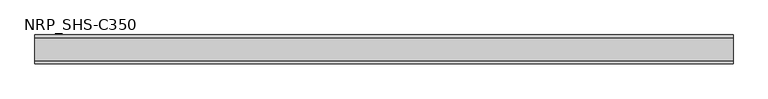
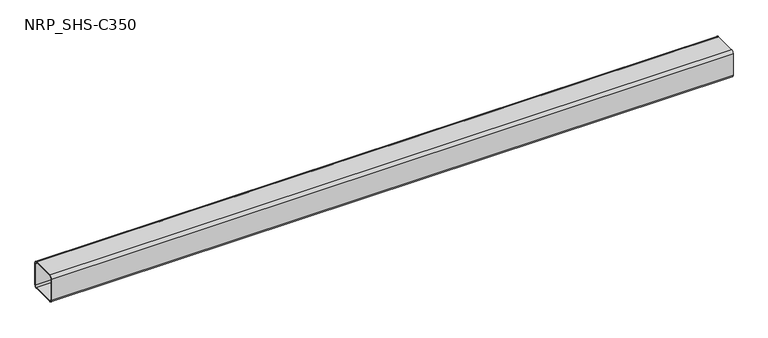
"""IFC4 building model written with IfcOpenShell, lengths in millimetres: member geometry, NRP_SHS-C350."""

from ifc_helpers import new_model, si_unit, point, frame, frame_2d, origin, place, context, project, spatial, polyline, circle_curve, trimmed, segment, composite_curve, outline, extrude, source, transform, mapped, element, save


def nrp_shs_c350_c1431ee8(model_context):
    return source(origin(), model_context, "Body", "SweptSolid", [
        extrude(outline(composite_curve([segment(polyline([(44.5, 35.75), (44.5, -35.75)]), True, "CONTINUOUS"), segment(trimmed(circle_curve(frame_2d((35.75, -35.75)), 8.75), [point((44.5, -35.75))], [point((35.75, -44.5))], False, "CARTESIAN"), True, "CONTINUOUS"), segment(polyline([(35.75, -44.5), (-35.75, -44.5)]), True, "CONTINUOUS"), segment(trimmed(circle_curve(frame_2d((-35.75, -35.75)), 8.75), [point((-35.75, -44.5))], [point((-44.5, -35.75))], False, "CARTESIAN"), True, "CONTINUOUS"), segment(polyline([(-44.5, -35.75), (-44.5, 35.75)]), True, "CONTINUOUS"), segment(trimmed(circle_curve(frame_2d((-35.75, 35.75)), 8.75), [point((-44.5, 35.75))], [point((-35.75, 44.5))], False, "CARTESIAN"), True, "CONTINUOUS"), segment(polyline([(-35.75, 44.5), (35.75, 44.5)]), True, "CONTINUOUS"), segment(trimmed(circle_curve(frame_2d((35.75, 35.75)), 8.75), [point((35.75, 44.5))], [point((44.5, 35.75))], False, "CARTESIAN"), True, "CONTINUOUS")], self_intersect=False), holes=[composite_curve([segment(trimmed(circle_curve(frame_2d((-35.75, 35.75)), 5.25), [point((-35.75, 41.0))], [point((-41.0, 35.75))], True, "CARTESIAN"), True, "CONTINUOUS"), segment(polyline([(-41.0, 35.75), (-41.0, -35.75)]), True, "CONTINUOUS"), segment(trimmed(circle_curve(frame_2d((-35.75, -35.75)), 5.25), [point((-41.0, -35.75))], [point((-35.75, -41.0))], True, "CARTESIAN"), True, "CONTINUOUS"), segment(polyline([(-35.75, -41.0), (35.75, -41.0)]), True, "CONTINUOUS"), segment(trimmed(circle_curve(frame_2d((35.75, -35.75)), 5.25), [point((35.75, -41.0))], [point((41.0, -35.75))], True, "CARTESIAN"), True, "CONTINUOUS"), segment(polyline([(41.0, -35.75), (41.0, 35.75)]), True, "CONTINUOUS"), segment(trimmed(circle_curve(frame_2d((35.75, 35.75)), 5.25), [point((41.0, 35.75))], [point((35.75, 41.0))], True, "CARTESIAN"), True, "CONTINUOUS"), segment(polyline([(35.75, 41.0), (-35.75, 41.0)]), True, "CONTINUOUS")], self_intersect=False)]), frame((-1075.5, 0.0, 0.0), z_axis=(1.0, 0.0, 0.0), x_axis=(0.0, 1.0, 0.0)), (0.0, 0.0, 1.0), 2151.0),
    ])


if __name__ == "__main__":
    model = new_model("IFC4")
    model_context = context("Model", 3, world=origin())
    ifc_project = project(units=[si_unit("LENGTHUNIT", "METRE", prefix="MILLI")], contexts=[model_context])
    site = spatial("IfcSite", under=ifc_project)
    building = spatial("IfcBuilding", under=site)
    placement = place(None, origin())
    nrp_shs_c350_shape = nrp_shs_c350_c1431ee8(model_context)
    element("IfcMember", 1, ObjectType="NRP_SHS-C350", at=placement, inside=building, context=model_context, shape_type="MappedRepresentation", body=[
        mapped(nrp_shs_c350_shape, transform((0.0, 0.0, 0.0), x_axis=(1.0, 0.0, 0.0), y_axis=(0.0, 1.0, 0.0), z_axis=(0.0, 0.0, 1.0))),
    ])
    save(model, "model.ifc")
